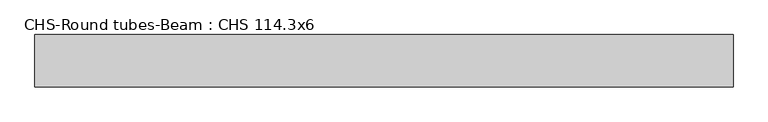
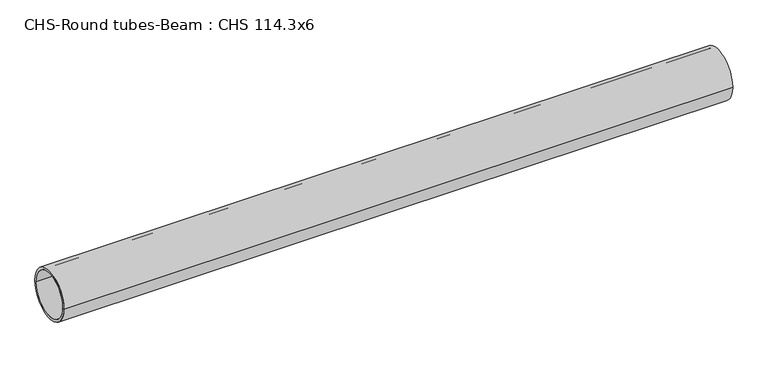
"""IFC4 building model written with IfcOpenShell, lengths in millimetres: beam geometry, CHS-Round tubes-Beam : CHS 114.3x6."""

from ifc_helpers import new_model, si_unit, point, frame, origin, origin_2d, place, context, project, spatial, circle_curve, trimmed, segment, composite_curve, outline, extrude, source, transform, mapped, element, save


def chs_round_tubes_beam_chs_114_3x6_f4f622fe(model_context):
    return source(origin(), model_context, "Body", "SweptSolid", [
        extrude(outline(composite_curve([segment(trimmed(circle_curve(origin_2d(), 57.15), [point((57.15, 0.0))], [point((-57.15, 0.0))], False, "CARTESIAN"), True, "CONTINUOUS"), segment(trimmed(circle_curve(origin_2d(), 57.15), [point((-57.15, 0.0))], [point((57.15, 0.0))], False, "CARTESIAN"), True, "CONTINUOUS")], self_intersect=False), holes=[composite_curve([segment(trimmed(circle_curve(origin_2d(), 51.15), [point((51.15, 0.0))], [point((-51.15, 0.0))], True, "CARTESIAN"), True, "CONTINUOUS"), segment(trimmed(circle_curve(origin_2d(), 51.15), [point((-51.15, 0.0))], [point((51.15, 0.0))], True, "CARTESIAN"), True, "CONTINUOUS")], self_intersect=False)]), frame((-746.7303373, 0.0, 0.0), z_axis=(1.0, 0.0, 0.0), x_axis=(0.0, 1.0, 0.0)), (0.0, 0.0, 1.0), 1525.4178213),
    ])


if __name__ == "__main__":
    model = new_model("IFC4")
    model_context = context("Model", 3, world=origin())
    ifc_project = project(units=[si_unit("LENGTHUNIT", "METRE", prefix="MILLI")], contexts=[model_context])
    site = spatial("IfcSite", under=ifc_project)
    building = spatial("IfcBuilding", under=site)
    placement = place(None, origin())
    chs_round_tubes_beam_chs_114_3x6_shape = chs_round_tubes_beam_chs_114_3x6_f4f622fe(model_context)
    element("IfcBeam", 1, ObjectType="CHS-Round tubes-Beam : CHS 114.3x6", at=placement, inside=building, context=model_context, shape_type="MappedRepresentation", body=[
        mapped(chs_round_tubes_beam_chs_114_3x6_shape, transform((0.0, 0.0, 0.0), x_axis=(1.0, 0.0, 0.0), y_axis=(0.0, 1.0, 0.0), z_axis=(0.0, 0.0, 1.0))),
    ])
    save(model, "model.ifc")
